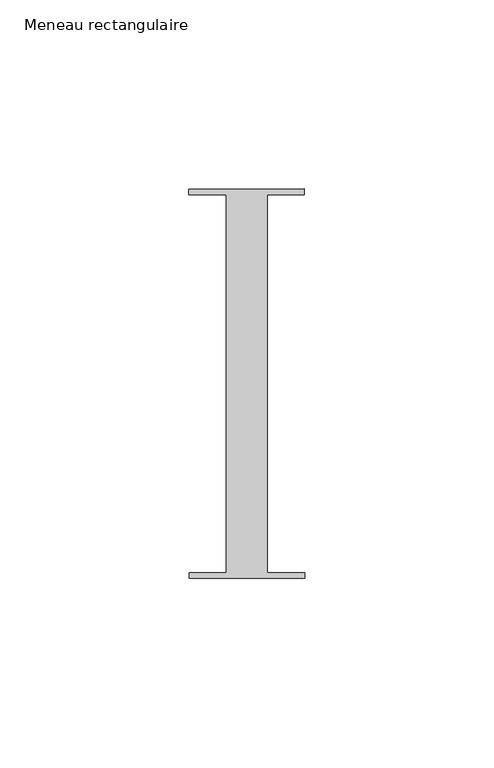
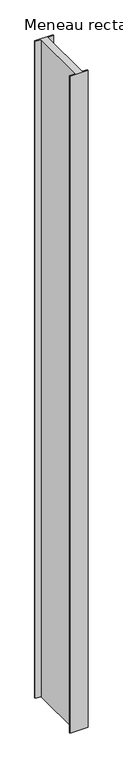
"""IFC4 building model written with IfcOpenShell, lengths in millimetres: member geometry, Meneau rectangulaire."""

from ifc_helpers import new_model, si_unit, frame, origin, place, context, project, spatial, polyline, outline, extrude, source, transform, mapped, element, save


def meneau_rectangulaire_6fa3eb89(model_context):
    return source(origin(), model_context, "Body", "SweptSolid", [
        extrude(outline(polyline([(15.1919193, 51.5152664), (15.1934333, 50.0054494), (5.4028486, 50.0054494), (5.4028486, -49.9846825), (15.2937013, -49.9846825), (15.2952055, -51.4846817), (-15.2047792, -51.5152664), (-15.2062834, -50.0152672), (-5.4194144, -50.0152672), (-5.4194144, 49.9942223), (-15.3065707, 49.9942223), (-15.3080653, 51.4846817), (15.1919193, 51.5152664)])), frame((0.0, 0.0, -1167.9000003), z_axis=(0.0, 0.0, 1.0), x_axis=(1.0, 0.0, 0.0)), (0.0, 0.0, 1.0), 1167.9000003),
    ])


if __name__ == "__main__":
    model = new_model("IFC4")
    model_context = context("Model", 3, world=origin())
    ifc_project = project(units=[si_unit("LENGTHUNIT", "METRE", prefix="MILLI")], contexts=[model_context])
    site = spatial("IfcSite", under=ifc_project)
    building = spatial("IfcBuilding", under=site)
    placement = place(None, origin())
    meneau_rectangulaire_shape = meneau_rectangulaire_6fa3eb89(model_context)
    element("IfcMember", 1, ObjectType="Meneau rectangulaire", at=placement, inside=building, context=model_context, shape_type="MappedRepresentation", body=[
        mapped(meneau_rectangulaire_shape, transform((0.0, 0.0, 0.0), x_axis=(1.0, 0.0, 0.0), y_axis=(0.0, 1.0, 0.0), z_axis=(0.0, 0.0, 1.0))),
    ])
    save(model, "model.ifc")
